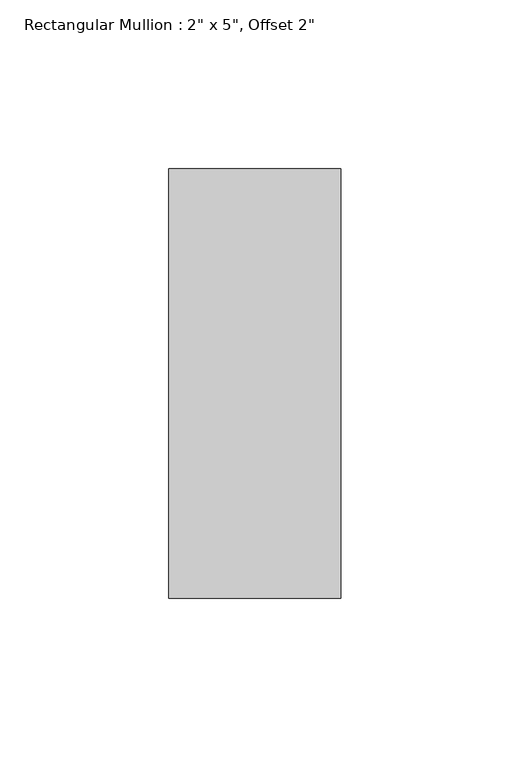
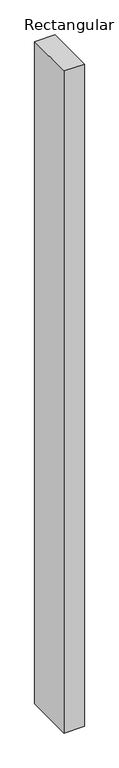
"""IFC4 building model written with IfcOpenShell, lengths in millimetres: member geometry."""

from ifc_helpers import new_model, si_unit, frame, origin, place, context, project, spatial, polyline, outline, extrude, source, transform, mapped, element, save


def member_1e5c1c86(model_context):
    return source(origin(), model_context, "Body", "SweptSolid", [
        extrude(outline(polyline([(0.0, 12.7), (0.0, -114.3), (-50.8, -114.3), (-50.8, 12.7), (0.0, 12.7)])), frame((0.0, 0.0, -1752.6), z_axis=(0.0, 0.0, 1.0), x_axis=(1.0, 0.0, 0.0)), (0.0, 0.0, 1.0), 1752.6),
    ])


if __name__ == "__main__":
    model = new_model("IFC4")
    model_context = context("Model", 3, world=origin())
    ifc_project = project(units=[si_unit("LENGTHUNIT", "METRE", prefix="MILLI")], contexts=[model_context])
    site = spatial("IfcSite", under=ifc_project)
    building = spatial("IfcBuilding", under=site)
    placement = place(None, origin())
    member_shape = member_1e5c1c86(model_context)
    element("IfcMember", 1, ObjectType="Rectangular Mullion : 2\" x 5\", Offset 2\"", at=placement, inside=building, context=model_context, shape_type="MappedRepresentation", body=[
        mapped(member_shape, transform((0.0, 0.0, 0.0), x_axis=(1.0, 0.0, 0.0), y_axis=(0.0, 1.0, 0.0), z_axis=(0.0, 0.0, 1.0))),
    ])
    save(model, "model.ifc")
